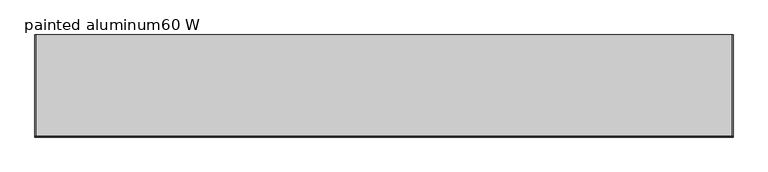
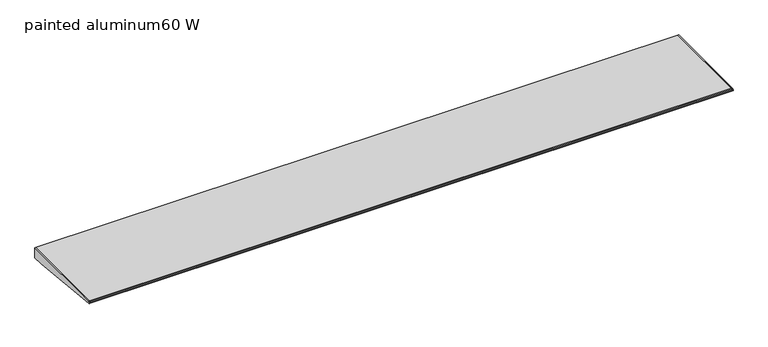
"""IFC4 building model written with IfcOpenShell, lengths in millimetres: furniture geometry, painted aluminum60 W."""

from ifc_helpers import new_model, si_unit, frame, origin, place, context, project, spatial, polyline, outline, extrude, source, transform, mapped, element, save


def painted_aluminum60_w_9e5c8d6f(model_context):
    return source(origin(), model_context, "Body", "SweptSolid", [
        extrude(outline(polyline([(-222.022331, 1323.7274755), (-220.8911683, 1325.1918929), (-218.9431893, 1325.8038), (0.0, 1325.8038), (0.0, 1300.4038), (-25.3684852, 1300.4038), (-219.3540346, 1319.4690236), (-221.1050905, 1320.214168), (-222.1155121, 1321.8267581), (-222.022331, 1323.7274755)])), frame((1519.4279999, 0.0, 0.0), z_axis=(1.0, 0.0, 0.0), x_axis=(0.0, 1.0, 0.0)), (0.0, 0.0, 1.0), 2.032),
        extrude(outline(polyline([(-222.022331, 1323.7274755), (-220.8911683, 1325.1918929), (-218.9431893, 1325.8038), (0.0, 1325.8038), (0.0, 1300.4038), (-25.3684852, 1300.4038), (-219.3540346, 1319.4690236), (-221.1050905, 1320.214168), (-222.1155121, 1321.8267581), (-222.022331, 1323.7274755)])), frame((2.5400001, 0.0, 0.0), z_axis=(1.0, 0.0, 0.0), x_axis=(0.0, 1.0, 0.0)), (0.0, 0.0, 1.0), 2.032),
        extrude(outline(polyline([(0.0, 1325.8038), (0.0, 1300.4038), (-25.3684852, 1300.4038), (-219.3540346, 1319.4690236), (-221.1050905, 1320.214168), (-222.1155121, 1321.8267581), (-222.022331, 1323.7274755), (-220.8911683, 1325.1918929), (-218.9431893, 1325.8038), (0.0, 1325.8038)])), frame((4.5720001, 0.0, 0.0), z_axis=(1.0, 0.0, 0.0), x_axis=(0.0, 1.0, 0.0)), (0.0, 0.0, 1.0), 1514.8559997),
    ])


if __name__ == "__main__":
    model = new_model("IFC4")
    model_context = context("Model", 3, world=origin())
    ifc_project = project(units=[si_unit("LENGTHUNIT", "METRE", prefix="MILLI")], contexts=[model_context])
    site = spatial("IfcSite", under=ifc_project)
    building = spatial("IfcBuilding", under=site)
    placement = place(None, origin())
    painted_aluminum60_w_shape = painted_aluminum60_w_9e5c8d6f(model_context)
    element("IfcFurniture", 1, ObjectType="painted aluminum60 W", at=placement, inside=building, context=model_context, shape_type="MappedRepresentation", body=[
        mapped(painted_aluminum60_w_shape, transform((0.0, 0.0, 0.0), x_axis=(1.0, 0.0, 0.0), y_axis=(0.0, 1.0, 0.0), z_axis=(0.0, 0.0, 1.0))),
    ])
    save(model, "model.ifc")
